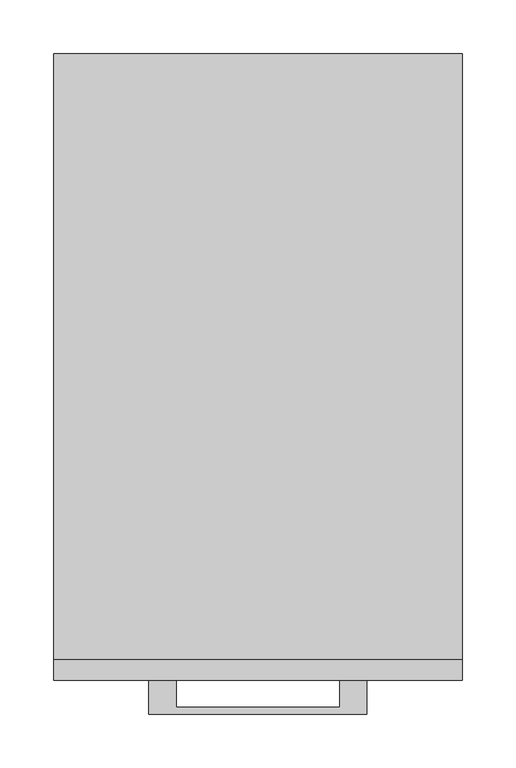
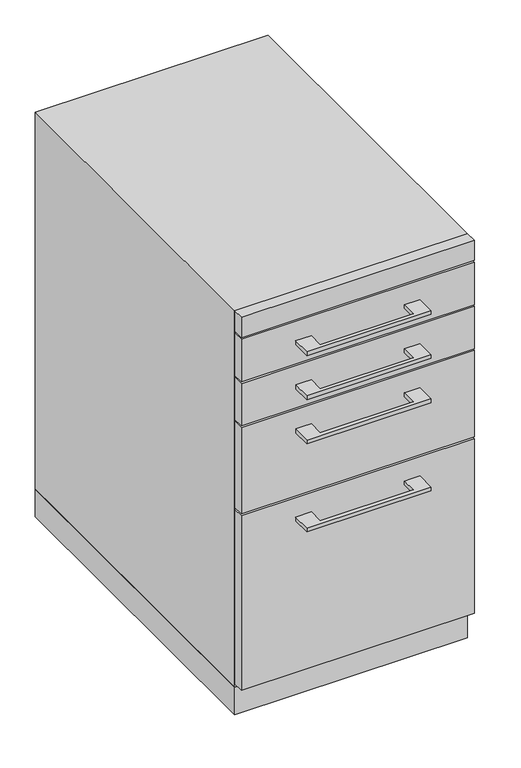
"""IFC4 building model written with IfcOpenShell, lengths in millimetres: furniture geometry."""

from ifc_helpers import new_model, si_unit, frame, origin, origin_with_axes, place, context, project, spatial, polyline, outline, extrude, source, transform, mapped, element, save


def furniture_ac4fbc5a(model_context):
    return source(origin(), model_context, "Body", "SweptSolid", [
        extrude(outline(polyline([(-76.1999818, -584.2), (-76.1999818, -609.5999758), (76.2, -609.5999758), (76.2, -584.2), (101.5999939, -584.2), (101.5999939, -615.9499879), (-101.5999939, -615.9499879), (-101.5999939, -584.2), (-76.1999818, -584.2)])), frame((0.0, 0.0, 468.3125506), z_axis=(0.0, 0.0, 1.0), x_axis=(1.0, 0.0, 0.0)), (0.0, 0.0, 1.0), 6.3499758),
        extrude(outline(polyline([(190.5, -565.15), (190.5, -584.2), (-190.5, -584.2), (-190.5, -565.15), (190.5, -565.15)])), frame((0.0, 0.0, 358.775), z_axis=(0.0, 0.0, 1.0), x_axis=(1.0, 0.0, 0.0)), (0.0, 0.0, 1.0), 149.225),
        extrude(outline(polyline([(-76.1999818, -584.2), (-76.1999818, -609.5999758), (76.2, -609.5999758), (76.2, -584.2), (101.5999939, -584.2), (101.5999939, -615.9499879), (-101.5999939, -615.9499879), (-101.5999939, -584.2), (-76.1999818, -584.2)])), frame((0.0, 0.0, 544.5125506), z_axis=(0.0, 0.0, 1.0), x_axis=(1.0, 0.0, 0.0)), (0.0, 0.0, 1.0), 6.3499758),
        extrude(outline(polyline([(190.5, -565.15), (190.5, -584.2), (-190.5, -584.2), (-190.5, -565.15), (190.5, -565.15)])), frame((0.0, 0.0, 511.175), z_axis=(0.0, 0.0, 1.0), x_axis=(1.0, 0.0, 0.0)), (0.0, 0.0, 1.0), 73.025),
        extrude(outline(polyline([(-76.1999818, -584.2), (-76.1999818, -609.5999758), (76.2, -609.5999758), (76.2, -584.2), (101.5999939, -584.2), (101.5999939, -615.9499879), (-101.5999939, -615.9499879), (-101.5999939, -584.2), (-76.1999818, -584.2)])), frame((0.0, 0.0, 620.7125506), z_axis=(0.0, 0.0, 1.0), x_axis=(1.0, 0.0, 0.0)), (0.0, 0.0, 1.0), 6.3499758),
        extrude(outline(polyline([(190.5, -565.15), (190.5, -584.2), (-190.5, -584.2), (-190.5, -565.15), (190.5, -565.15)])), frame((0.0, 0.0, 587.375), z_axis=(0.0, 0.0, 1.0), x_axis=(1.0, 0.0, 0.0)), (0.0, 0.0, 1.0), 73.025),
        extrude(outline(polyline([(-76.1999818, -584.2), (-76.1999818, -609.5999758), (76.2, -609.5999758), (76.2, -584.2), (101.5999939, -584.2), (101.5999939, -615.9499879), (-101.5999939, -615.9499879), (-101.5999939, -584.2), (-76.1999818, -584.2)])), frame((0.0, 0.0, 315.9125506), z_axis=(0.0, 0.0, 1.0), x_axis=(1.0, 0.0, 0.0)), (0.0, 0.0, 1.0), 6.3499758),
        extrude(outline(polyline([(190.5, -565.15), (190.5, -584.2), (-190.5, -584.2), (-190.5, -565.15), (190.5, -565.15)])), frame((0.0, 0.0, 53.975), z_axis=(0.0, 0.0, 1.0), x_axis=(1.0, 0.0, 0.0)), (0.0, 0.0, 1.0), 301.625),
        extrude(outline(polyline([(190.5, 0.0), (190.5, -565.15), (-190.5, -565.15), (-190.5, 0.0), (190.5, 0.0)])), origin_with_axes(), (0.0, 0.0, 1.0), 47.625),
        extrude(outline(polyline([(190.5, -584.2), (-190.5, -584.2), (-190.5, -565.15), (190.5, -565.15), (190.5, -584.2)])), frame((0.0, 0.0, 663.575), z_axis=(0.0, 0.0, 1.0), x_axis=(1.0, 0.0, 0.0)), (0.0, 0.0, 1.0), 34.925),
        extrude(outline(polyline([(190.5, 0.0), (190.5, -565.15), (-190.5, -565.15), (-190.5, 0.0), (190.5, 0.0)])), frame((0.0, 0.0, 47.625), z_axis=(0.0, 0.0, 1.0), x_axis=(1.0, 0.0, 0.0)), (0.0, 0.0, 1.0), 650.875),
    ])


if __name__ == "__main__":
    model = new_model("IFC4")
    model_context = context("Model", 3, world=origin())
    ifc_project = project(units=[si_unit("LENGTHUNIT", "METRE", prefix="MILLI")], contexts=[model_context])
    site = spatial("IfcSite", under=ifc_project)
    building = spatial("IfcBuilding", under=site)
    placement = place(None, origin())
    furniture_shape = furniture_ac4fbc5a(model_context)
    element("IfcFurniture", 1, at=placement, inside=building, context=model_context, shape_type="MappedRepresentation", body=[
        mapped(furniture_shape, transform((0.0, 0.0, 0.0), x_axis=(1.0, 0.0, 0.0), y_axis=(0.0, 1.0, 0.0), z_axis=(0.0, 0.0, 1.0))),
    ])
    save(model, "model.ifc")
